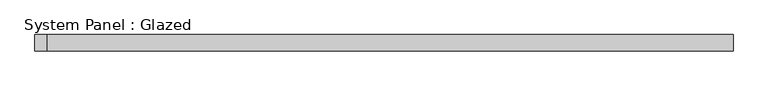
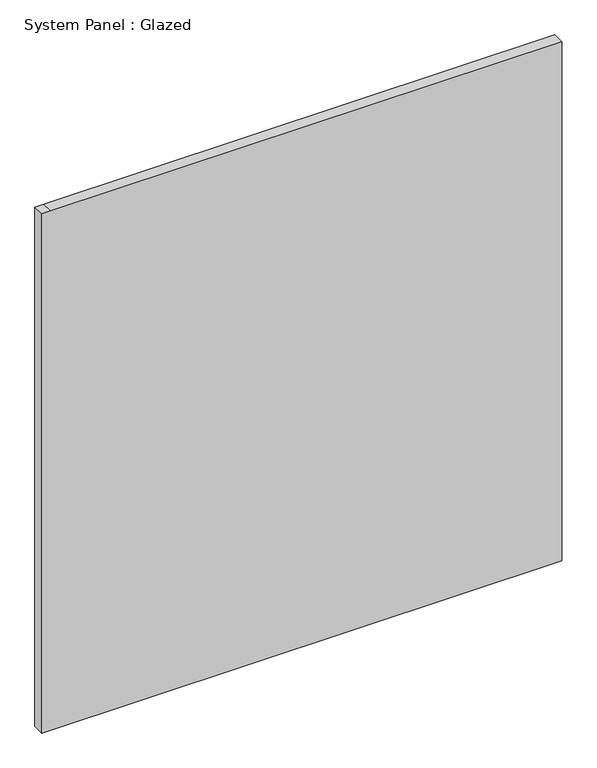
"""IFC4 building model written with IfcOpenShell, lengths in millimetres: plate geometry, System Panel : Glazed."""

from ifc_helpers import new_model, si_unit, frame, origin, place, context, project, spatial, polyline, outline, extrude, source, transform, mapped, element, save


def system_panel_glazed_9ed32650(model_context):
    return source(origin(), model_context, "Body", "SweptSolid", [
        extrude(outline(polyline([(0.0, -550.0), (0.0, 550.0), (1161.6, 550.0), (1161.6, -530.95), (1161.6, -550.0), (0.0, -550.0)])), frame((0.0, 19.05, 0.0), z_axis=(0.0, 1.0, 0.0), x_axis=(0.0, 0.0, 1.0)), (0.0, 0.0, 1.0), 25.4),
    ])


if __name__ == "__main__":
    model = new_model("IFC4")
    model_context = context("Model", 3, world=origin())
    ifc_project = project(units=[si_unit("LENGTHUNIT", "METRE", prefix="MILLI")], contexts=[model_context])
    site = spatial("IfcSite", under=ifc_project)
    building = spatial("IfcBuilding", under=site)
    placement = place(None, origin())
    system_panel_glazed_shape = system_panel_glazed_9ed32650(model_context)
    element("IfcPlate", 1, ObjectType="System Panel : Glazed", at=placement, inside=building, context=model_context, shape_type="MappedRepresentation", body=[
        mapped(system_panel_glazed_shape, transform((0.0, 0.0, 0.0), x_axis=(1.0, 0.0, 0.0), y_axis=(0.0, 1.0, 0.0), z_axis=(0.0, 0.0, 1.0))),
    ])
    save(model, "model.ifc")
